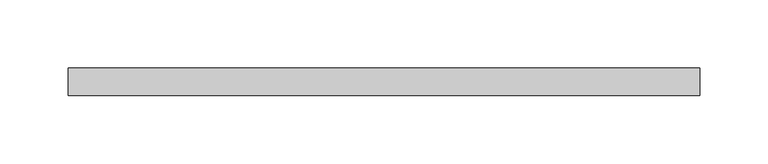
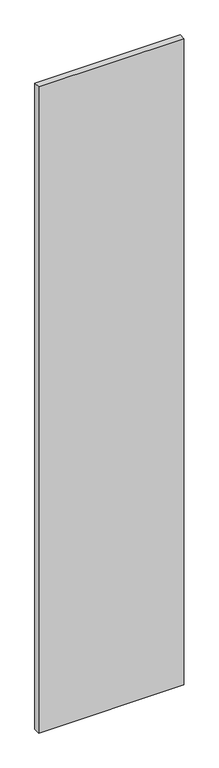
"""IFC4 building model written with IfcOpenShell, lengths in millimetres: plate geometry."""

from ifc_helpers import new_model, si_unit, origin, origin_with_axes, place, context, project, spatial, polyline, outline, extrude, source, transform, mapped, element, save


def plate_66452c77(model_context):
    return source(origin(), model_context, "Body", "SweptSolid", [
        extrude(outline(polyline([(231.4375982, 20.0), (-231.4375982, 20.0), (-231.4375982, 40.0), (231.4375982, 40.0), (231.4375982, 20.0)])), origin_with_axes(), (0.0, 0.0, 1.0), 2175.0),
    ])


if __name__ == "__main__":
    model = new_model("IFC4")
    model_context = context("Model", 3, world=origin())
    ifc_project = project(units=[si_unit("LENGTHUNIT", "METRE", prefix="MILLI")], contexts=[model_context])
    site = spatial("IfcSite", under=ifc_project)
    building = spatial("IfcBuilding", under=site)
    placement = place(None, origin())
    plate_shape = plate_66452c77(model_context)
    element("IfcPlate", 1, at=placement, inside=building, context=model_context, shape_type="MappedRepresentation", body=[
        mapped(plate_shape, transform((0.0, 0.0, 0.0), x_axis=(1.0, 0.0, 0.0), y_axis=(0.0, 1.0, 0.0), z_axis=(0.0, 0.0, 1.0))),
    ])
    save(model, "model.ifc")
